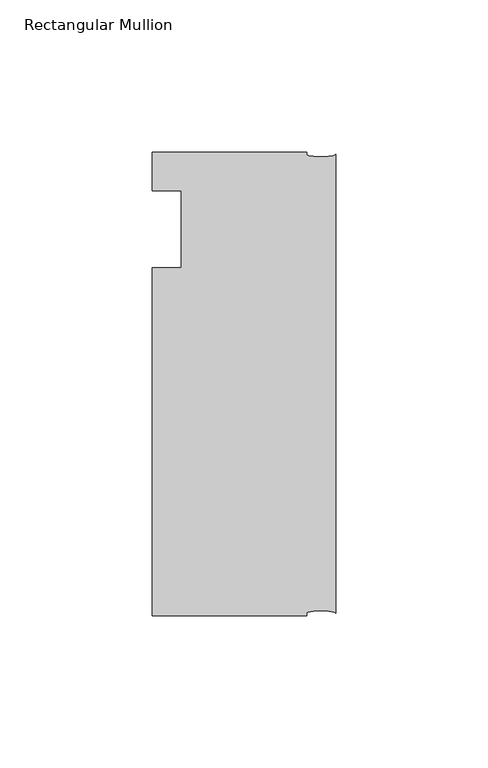
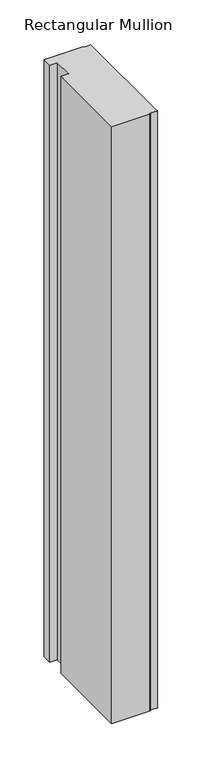
"""IFC4 building model written with IfcOpenShell, lengths in millimetres: member geometry, Rectangular Mullion."""

import ifcopenshell
import ifcopenshell.guid

model = None  # the IFC model being written
_history = None  # IfcOwnerHistory: only IFC2X3 demands one
_inside = {}  # id of a spatial element -> (the spatial element, [elements in it])
_under = {}  # id of a project, library or spatial element -> (it, [spatial elements below it])
_declared = {}  # id of a project -> (the project, [libraries it declares])
_typed = {}  # id of a type object -> (the type object, [elements of that type])
_made_of = {}  # id of a material, layer set ... -> (it, [elements and type objects made of it])


def new_model(schema):
    """Start an empty IFC model of exactly this schema.

    Asked for "IFC4X3", IfcOpenShell would pick the latest addendum, in which some entities
    have other attributes; the version numbers below select the first issue.
    IFC2X3 requires an IfcOwnerHistory on every rooted entity: one is made here for all.
    """
    global model, _history
    if schema == "IFC4X3":
        model = ifcopenshell.file(schema_version=(4, 3, 0, 0))
    else:
        model = ifcopenshell.file(schema=schema)
    _inside.clear()
    _under.clear()
    _declared.clear()
    _typed.clear()
    _made_of.clear()
    _history = None
    if model.schema == "IFC2X3":
        org = make("IfcOrganization", Name="unknown")
        user = make(
            "IfcPersonAndOrganization",
            ThePerson=make("IfcPerson", FamilyName="unknown"),
            TheOrganization=org,
        )
        app = make(
            "IfcApplication",
            ApplicationDeveloper=org,
            Version="unknown",
            ApplicationFullName="unknown",
            ApplicationIdentifier="unknown",
        )
        _history = make(
            "IfcOwnerHistory",
            OwningUser=user,
            OwningApplication=app,
            ChangeAction="ADDED",
            CreationDate=0,
        )
    return model


def make(cls, **values):
    """One entity of the class cls with the attributes given. An attribute that is None is left unset."""
    return model.create_entity(
        cls, **{name: value for name, value in values.items() if value is not None}
    )


def rooted(cls, **values):
    """An entity with a GlobalId (a new one), such as an element, a storey or a relation."""
    return make(cls, GlobalId=ifcopenshell.guid.new(), OwnerHistory=_history, **values)


def si_unit(unit_type, name, prefix=None):
    """IfcSIUnit, for example si_unit("LENGTHUNIT", "METRE", prefix="MILLI")."""
    return make("IfcSIUnit", UnitType=unit_type, Prefix=prefix, Name=name)


def assignment(units):
    """IfcUnitAssignment: the units of a project."""
    return None if units is None else make("IfcUnitAssignment", Units=units)


def point(xyz):
    """IfcCartesianPoint."""
    return None if xyz is None else make("IfcCartesianPoint", Coordinates=xyz)


def direction(xyz):
    """IfcDirection."""
    return None if xyz is None else make("IfcDirection", DirectionRatios=xyz)


def frame(location, z_axis=None, x_axis=None):
    """IfcAxis2Placement3D, a coordinate frame: its origin and axes. An axis left out is left unset."""
    return make(
        "IfcAxis2Placement3D",
        Location=point(location),
        Axis=direction(z_axis),
        RefDirection=direction(x_axis),
    )


def origin():
    """The frame at (0, 0, 0) with its axes left unset."""
    return frame((0.0, 0.0, 0.0))


def place(relative_to, where):
    """IfcLocalPlacement: puts the frame where relative to a parent placement (None: the world)."""
    return make(
        "IfcLocalPlacement", PlacementRelTo=relative_to, RelativePlacement=where
    )


def context(
    kind, dimensions, precision=None, world=None, true_north=None, identifier=None
):
    """IfcGeometricRepresentationContext, for example the 3D "Model" context."""
    return make(
        "IfcGeometricRepresentationContext",
        ContextIdentifier=identifier,
        ContextType=kind,
        CoordinateSpaceDimension=dimensions,
        Precision=precision,
        WorldCoordinateSystem=world,
        TrueNorth=true_north,
    )


def project(units=None, contexts=None):
    """IfcProject with its units and contexts."""
    return rooted(
        "IfcProject",
        Name="project",
        RepresentationContexts=contexts,
        UnitsInContext=assignment(units),
    )


def spatial(cls, under=None, at=None, **own):
    """A site, building, storey or space (cls), placed at a placement, below another one or the project."""
    s = rooted(cls, ObjectPlacement=at, **own)
    if under is not None:
        _under.setdefault(under.id(), (under, []))[1].append(s)
    return s


def ellipse_curve(where, semi_axis1, semi_axis2):
    """IfcEllipse in the frame where."""
    return make(
        "IfcEllipse", Position=where, SemiAxis1=semi_axis1, SemiAxis2=semi_axis2
    )


def trimmed(basis, trim1, trim2, sense, master):
    """IfcTrimmedCurve: the piece of a basis curve between two trims."""
    return make(
        "IfcTrimmedCurve",
        BasisCurve=basis,
        Trim1=trim1,
        Trim2=trim2,
        SenseAgreement=sense,
        MasterRepresentation=master,
    )


def shape(context_of_items, identifier, shape_type, items):
    """IfcShapeRepresentation: the items that make up one representation, for example the "Body"."""
    return make(
        "IfcShapeRepresentation",
        ContextOfItems=context_of_items,
        RepresentationIdentifier=identifier,
        RepresentationType=shape_type,
        Items=items,
    )


def source(mapping_origin, context_of_items, identifier, shape_type, items):
    """IfcRepresentationMap: a shape defined once, which mapped items show again and again."""
    return make(
        "IfcRepresentationMap",
        MappingOrigin=mapping_origin,
        MappedRepresentation=shape(context_of_items, identifier, shape_type, items),
    )


def transform(
    local_origin,
    x_axis=None,
    y_axis=None,
    z_axis=None,
    scale=None,
    scale2=None,
    scale3=None,
    uniform=True,
):
    """IfcCartesianTransformationOperator3D, or its non-uniform kind. x_axis, y_axis, z_axis: its Axis1, 2, 3."""
    if uniform:
        return make(
            "IfcCartesianTransformationOperator3D",
            Axis1=direction(x_axis),
            Axis2=direction(y_axis),
            LocalOrigin=point(local_origin),
            Scale=scale,
            Axis3=direction(z_axis),
        )
    return make(
        "IfcCartesianTransformationOperator3DnonUniform",
        Axis1=direction(x_axis),
        Axis2=direction(y_axis),
        LocalOrigin=point(local_origin),
        Scale=scale,
        Axis3=direction(z_axis),
        Scale2=scale2,
        Scale3=scale3,
    )


def mapped(mapping_source, mapping_target):
    """IfcMappedItem: shows the shape of a source again, moved by a transform."""
    return make(
        "IfcMappedItem", MappingSource=mapping_source, MappingTarget=mapping_target
    )


def made_of(thing, what):
    """Note that an element or type object is made of a material, layer set ...; save() writes the relation."""
    if what is not None:
        _made_of.setdefault(what.id(), (what, []))[1].append(thing)
    return thing


def element(
    cls,
    number,
    at=None,
    inside=None,
    cuts=None,
    type_object=None,
    material=None,
    context=None,
    identifier="Body",
    shape_type=None,
    held_by="IfcProductDefinitionShape",
    body=None,
    shapes=None,
    **own,
):
    """One element of the class cls, such as IfcWall. Its Tag is "e" and its number.

    at: its placement. inside: the storey or other place that contains it. cuts: it is an
    opening in that element (IfcRelVoidsElement). A single representation is given by context,
    identifier, shape_type and body (its items); several are given by shapes. held_by: the class
    of the entity that holds the representations. save() writes the other relations.
    """
    e = rooted(cls, Tag="e%d" % number, ObjectPlacement=at, **own)
    if body is not None:
        shapes = [shape(context, identifier, shape_type, body)]
    if shapes is not None:
        e.Representation = make(held_by, Representations=shapes)
    if inside is not None:
        _inside.setdefault(inside.id(), (inside, []))[1].append(e)
    if cuts is not None:
        rooted(
            "IfcRelVoidsElement", RelatingBuildingElement=cuts, RelatedOpeningElement=e
        )
    if type_object is not None:
        _typed.setdefault(type_object.id(), (type_object, []))[1].append(e)
    return made_of(e, material)


def aggregate(whole, parts):
    """IfcRelAggregates: a whole, such as a stair, and the parts it consists of."""
    return rooted("IfcRelAggregates", RelatingObject=whole, RelatedObjects=parts)


def save(model, path):
    """Write the relations noted so far, then the file.

    IfcRelAggregates (storeys below a building ...), IfcRelContainedInSpatialStructure (elements
    in a storey), IfcRelDefinesByType, IfcRelAssociatesMaterial and IfcRelDeclares: one each for
    every whole, place, type object, material and project.
    """
    for whole, parts in _under.values():
        aggregate(whole, parts)
    for where, things in _inside.values():
        rooted(
            "IfcRelContainedInSpatialStructure",
            RelatedElements=things,
            RelatingStructure=where,
        )
    for kind, things in _typed.values():
        rooted("IfcRelDefinesByType", RelatedObjects=things, RelatingType=kind)
    for what, things in _made_of.values():
        rooted("IfcRelAssociatesMaterial", RelatedObjects=things, RelatingMaterial=what)
    for by, libraries in _declared.values():
        rooted("IfcRelDeclares", RelatingContext=by, RelatedDefinitions=libraries)
    model.write(path)


def plane_surface(at):
    """IfcPlane: the flat surface through the origin of the frame at, square to its z axis."""
    return make("IfcPlane", Position=at)


def extruded_surface(curve, direction_of_extrusion, depth):
    """IfcSurfaceOfLinearExtrusion: the curve pushed along a direction by depth."""
    return make(
        "IfcSurfaceOfLinearExtrusion",
        SweptCurve=make("IfcArbitraryOpenProfileDef", ProfileType="CURVE", Curve=curve),
        ExtrudedDirection=direction(direction_of_extrusion),
        Depth=depth,
    )


def advanced_brep(points, edges, surfaces, faces):
    """IfcAdvancedBrep: a solid bounded by faces that lie on surfaces and meet in shared edges.

    An edge is (start, end): straight between two places in points (the first is 0);
    or (start, end, curve); or (start, end, curve, False) where it runs against its curve.
    A face is (place in surfaces, loops), or (place, loops, False) where it looks against
    its surface's normal. A loop lists edges by number (the first is 1), with a minus sign
    where the edge is run from its end to its start. The first loop is the outer one.
    """
    corners = [point(p) for p in points]
    vertices = [make("IfcVertexPoint", VertexGeometry=c) for c in corners]
    made = []
    for start, end, *more in edges:
        made.append(
            make(
                "IfcEdgeCurve",
                EdgeStart=vertices[start],
                EdgeEnd=vertices[end],
                EdgeGeometry=more[0] if more else make("IfcPolyline", Points=[corners[start], corners[end]]),
                SameSense=more[1] if len(more) > 1 else True,
            )
        )
    hull = []
    for where, loops, *sense in faces:
        bounds = []
        for j, loop in enumerate(loops):
            ring = [make("IfcOrientedEdge", EdgeElement=made[abs(k) - 1], Orientation=k > 0) for k in loop]
            bounds.append(
                make(
                    "IfcFaceOuterBound" if j == 0 else "IfcFaceBound",
                    Bound=make("IfcEdgeLoop", EdgeList=ring),
                    Orientation=True,
                )
            )
        hull.append(make("IfcAdvancedFace", Bounds=bounds, FaceSurface=surfaces[where], SameSense=sense[0] if sense else True))
    return make("IfcAdvancedBrep", Outer=make("IfcClosedShell", CfsFaces=hull))


def rectangular_mullion_a00d56b1(model_context):
    return source(origin(), model_context, "Body", "AdvancedBrep", [
        advanced_brep(
        [(-60.325, -139.7, 0.0), (-9.525, -139.7, 0.0), (-9.525, -138.90625, 0.0), (0.0, -138.90625, 0.0), (0.0, 11.90625, 0.0), (-9.525, 11.90625, 0.0), (-9.525, 12.7, 0.0), (-60.325, 12.7, 0.0), (-60.325, 0.0, 0.0), (-50.8, 0.0, 0.0), (-50.8, -25.4, 0.0), (-60.325, -25.4, 0.0), (-60.325, -139.7, -822.325), (-60.325, -25.4, -822.325), (-50.8, -25.4, -822.325), (-50.8, 0.0, -822.325), (-60.325, 0.0, -822.325), (-60.325, 12.7, -822.325), (-9.525, 12.7, -822.325), (-9.525, 11.90625, -822.325), (0.0, 11.90625, -822.325), (0.0, -138.90625, -822.325), (-9.525, -138.90625, -822.325), (-9.525, -139.7, -822.325)],
        [
            (0, 1),
            (1, 2),
            (2, 3, ellipse_curve(frame((-4.7625, -138.90625, 0.0), z_axis=(0.0, 0.0, -1.0), x_axis=(-1.0, 0.0, 0.0)), 4.7625, 0.79375)),
            (3, 4),
            (4, 5, ellipse_curve(frame((-4.7625, 11.90625, 0.0), z_axis=(0.0, 0.0, -1.0), x_axis=(-1.0, 0.0, 0.0)), 4.7625, 0.79375)),
            (5, 6),
            (6, 7),
            (7, 8),
            (8, 9),
            (9, 10),
            (10, 11),
            (11, 0),
            (12, 13),
            (13, 14),
            (14, 15),
            (15, 16),
            (16, 17),
            (17, 18),
            (18, 19),
            (19, 20, ellipse_curve(frame((-4.7625, 11.90625, -822.325), z_axis=(0.0, 0.0, 1.0), x_axis=(-1.0, 0.0, 0.0)), 4.7625, 0.79375)),
            (20, 21),
            (21, 22, ellipse_curve(frame((-4.7625, -138.90625, -822.325), z_axis=(0.0, 0.0, 1.0), x_axis=(-1.0, 0.0, 0.0)), 4.7625, 0.79375)),
            (22, 23),
            (23, 12),
            (0, 12),
            (23, 1),
            (22, 2),
            (21, 3),
            (20, 4),
            (19, 5),
            (18, 6),
            (17, 7),
            (16, 8),
            (15, 9),
            (14, 10),
            (13, 11),
        ],
        [
            plane_surface(frame((0.0, -152.1683135, 0.0), z_axis=(0.0, 0.0, 1.0), x_axis=(-1.0, 0.0, 0.0))),
            plane_surface(frame((0.0, -152.1683135, -822.325), z_axis=(0.0, 0.0, -1.0), x_axis=(-1.0, 0.0, 0.0))),
            plane_surface(frame((-60.325, -139.7, 0.0), z_axis=(0.0, -1.0, 0.0), x_axis=(0.0, 0.0, -1.0))),
            plane_surface(frame((-9.525, -139.7, 0.0), z_axis=(1.0, 0.0, 0.0), x_axis=(0.0, 0.0, -1.0))),
            extruded_surface(trimmed(ellipse_curve(frame((-4.7625, -138.90625, -822.325), z_axis=(0.0, 0.0, -1.0), x_axis=(-1.0, 0.0, 0.0)), 4.7625, 0.79375), [point((-9.525, -138.90625, -822.325))], [point((0.0, -138.90625, -822.325))], True, "CARTESIAN"), (0.0, 0.0, 822.325), 822.325),
            plane_surface(frame((0.0, -138.90625, 0.0), z_axis=(1.0, 0.0, 0.0), x_axis=(0.0, 0.0, -1.0))),
            extruded_surface(trimmed(ellipse_curve(frame((-4.7625, 11.90625, -822.325), z_axis=(0.0, 0.0, -1.0), x_axis=(-1.0, 0.0, 0.0)), 4.7625, 0.79375), [point((0.0, 11.90625, -822.325))], [point((-9.525, 11.90625, -822.325))], True, "CARTESIAN"), (0.0, 0.0, 822.325), 822.325),
            plane_surface(frame((-9.525, 11.90625, 0.0), z_axis=(1.0, 0.0, 0.0), x_axis=(0.0, 0.0, -1.0))),
            plane_surface(frame((-9.525, 12.7, 0.0), z_axis=(0.0, 1.0, 0.0), x_axis=(0.0, 0.0, -1.0))),
            plane_surface(frame((-60.325, 12.7, 0.0), z_axis=(-1.0, 0.0, 0.0), x_axis=(0.0, 0.0, -1.0))),
            plane_surface(frame((-60.325, 0.0, 0.0), z_axis=(0.0, -1.0, 0.0), x_axis=(0.0, 0.0, -1.0))),
            plane_surface(frame((-50.8, 0.0, 0.0), z_axis=(-1.0, 0.0, 0.0), x_axis=(0.0, 0.0, -1.0))),
            plane_surface(frame((-50.8, -25.4, 0.0), z_axis=(0.0, 1.0, 0.0), x_axis=(0.0, 0.0, -1.0))),
            plane_surface(frame((-60.325, -25.4, 0.0), z_axis=(-1.0, 0.0, 0.0), x_axis=(0.0, 0.0, -1.0))),
        ],
        [
            (0, [[1, 2, 3, 4, 5, 6, 7, 8, 9, 10, 11, 12]]),
            (1, [[13, 14, 15, 16, 17, 18, 19, 20, 21, 22, 23, 24]]),
            (2, [[-1, 25, -24, 26]]),
            (3, [[-2, -26, -23, 27]]),
            (4, [[-3, -27, -22, 28]]),
            (5, [[-4, -28, -21, 29]]),
            (6, [[-5, -29, -20, 30]]),
            (7, [[-6, -30, -19, 31]]),
            (8, [[-7, -31, -18, 32]]),
            (9, [[-8, -32, -17, 33]]),
            (10, [[-9, -33, -16, 34]]),
            (11, [[-10, -34, -15, 35]]),
            (12, [[-11, -35, -14, 36]]),
            (13, [[-12, -36, -13, -25]]),
        ],
    ),
    ])


if __name__ == "__main__":
    model = new_model("IFC4")
    model_context = context("Model", 3, world=origin())
    ifc_project = project(units=[si_unit("LENGTHUNIT", "METRE", prefix="MILLI")], contexts=[model_context])
    site = spatial("IfcSite", under=ifc_project)
    building = spatial("IfcBuilding", under=site)
    placement = place(None, origin())
    rectangular_mullion_shape = rectangular_mullion_a00d56b1(model_context)
    element("IfcMember", 1, ObjectType="Rectangular Mullion", at=placement, inside=building, context=model_context, shape_type="MappedRepresentation", body=[
        mapped(rectangular_mullion_shape, transform((0.0, 0.0, 0.0), x_axis=(1.0, 0.0, 0.0), y_axis=(0.0, 1.0, 0.0), z_axis=(0.0, 0.0, 1.0))),
    ])
    save(model, "model.ifc")
